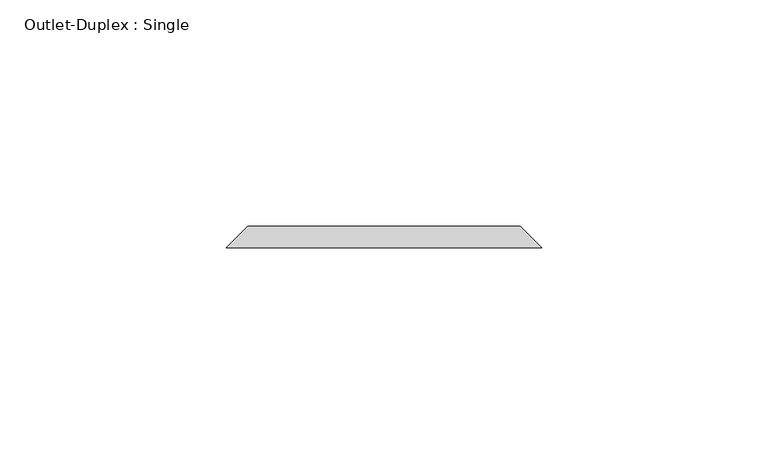
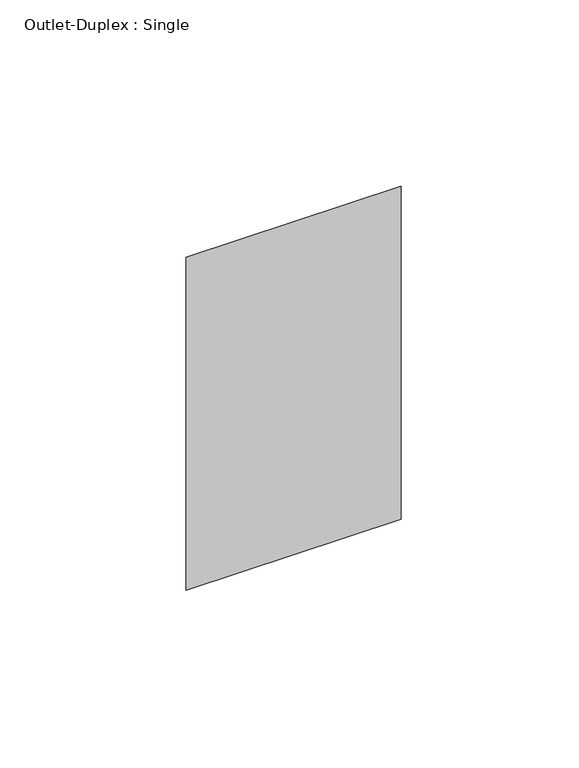
"""IFC4 building model written with IfcOpenShell, lengths in millimetres: proxy geometry, Outlet-Duplex : Single."""

from ifc_helpers import new_model, si_unit, origin, place, context, project, spatial, faceted_brep, source, transform, mapped, element, save


def outlet_duplex_single_a3677157(model_context):
    return source(origin(), model_context, "Body", "Brep", [
        faceted_brep([(-30.1625, 87.3125, 357.1875), (30.1625, 87.3125, 357.1875), (30.1625, 87.3125, 252.4125), (-30.1625, 87.3125, 252.4125), (-34.925, 82.55, 361.95), (-34.925, 82.55, 247.65), (34.925, 82.55, 247.65), (34.925, 82.55, 361.95)], [[[0, 1, 2, 3]], [[4, 5, 6, 7]], [[4, 7, 1, 0]], [[7, 6, 2, 1]], [[6, 5, 3, 2]], [[5, 4, 0, 3]]]),
    ])


if __name__ == "__main__":
    model = new_model("IFC4")
    model_context = context("Model", 3, world=origin())
    ifc_project = project(units=[si_unit("LENGTHUNIT", "METRE", prefix="MILLI")], contexts=[model_context])
    site = spatial("IfcSite", under=ifc_project)
    building = spatial("IfcBuilding", under=site)
    placement = place(None, origin())
    outlet_duplex_single_shape = outlet_duplex_single_a3677157(model_context)
    element("IfcBuildingElementProxy", 1, Name="Outlet-Duplex : Single", ObjectType="Outlet-Duplex : Single", at=placement, inside=building, context=model_context, shape_type="MappedRepresentation", body=[
        mapped(outlet_duplex_single_shape, transform((0.0, 0.0, 0.0), x_axis=(1.0, 0.0, 0.0), y_axis=(0.0, 1.0, 0.0), z_axis=(0.0, 0.0, 1.0))),
    ])
    save(model, "model.ifc")
